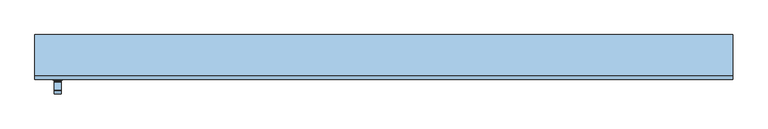
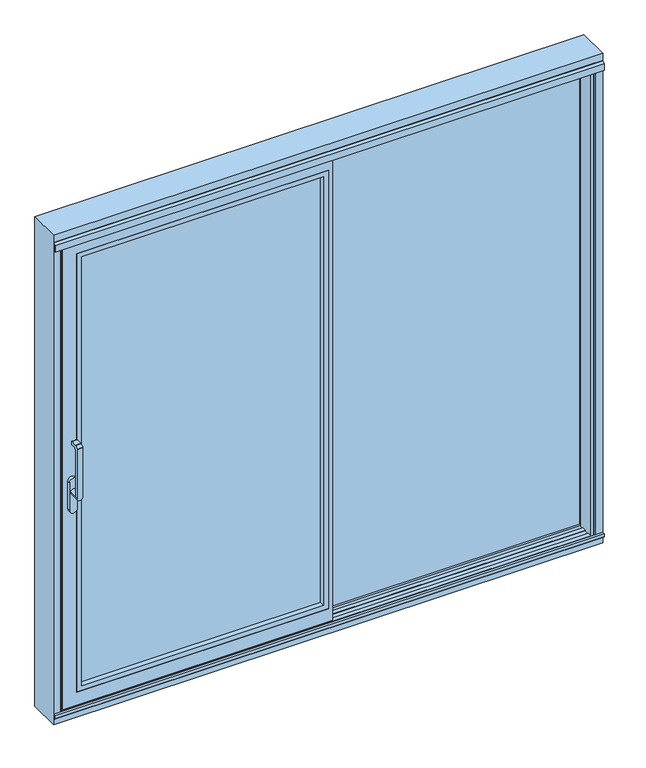
"""IFC4 building model written with IfcOpenShell, lengths in millimetres: window geometry."""

from ifc_helpers import new_model, si_unit, point, frame, frame_2d, origin, origin_with_axes, place, context, project, spatial, polyline, circle_curve, trimmed, segment, composite_curve, outline, extrude, faceted_brep, source, transform, mapped, element, save
from ifc_brep_helpers import plane_surface, cylinder_surface, revolved_surface, advanced_brep


def window_59dc71b5(model_context):
    return source(origin(), model_context, "Body", "SolidModel", [
        advanced_brep(
        [(-1123.75, -121.9999695, 999.005052), (-1099.75, -121.9999695, 999.005052), (-1099.75, -121.9999695, 1224.2360009), (-1123.75, -121.9999695, 1224.2360009), (-1123.75, -73.9999695, 999.005052), (-1099.75, -73.9999695, 999.005052), (-1123.75, -109.9999695, 999.005052), (-1099.75, -109.9999695, 999.005052), (-1099.75, -109.9999695, 1214.6494011), (-1099.75, -102.6493095, 1222.000061), (-1099.75, -81.9999695, 1222.000061), (-1099.75, -79.9999695, 1224.000061), (-1099.75, -79.9999695, 1235.000061), (-1099.75, -81.9999695, 1237.000061), (-1099.75, -109.2359094, 1237.000061), (-1099.75, -110.6501229, 1236.4142746), (-1099.75, -121.414183, 1225.6502145), (-1123.75, -121.414183, 1225.6502145), (-1123.75, -110.6501229, 1236.4142746), (-1123.75, -109.2359094, 1237.000061), (-1123.75, -81.9999695, 1237.000061), (-1123.75, -79.9999695, 1235.000061), (-1123.75, -79.9999695, 1224.000061), (-1123.75, -81.9999695, 1222.000061), (-1123.75, -102.6493095, 1222.000061), (-1123.75, -109.9999695, 1214.6494011)],
        [
            (0, 1, circle_curve(frame((-1111.75, -121.9999695, 999.005052), z_axis=(0.0, -1.0, 0.0), x_axis=(1.0000000000000009, 0.0, 0.0)), 12.0)),
            (1, 2),
            (2, 3),
            (3, 0),
            (4, 5, circle_curve(frame((-1111.75, -73.9999695, 999.005052), z_axis=(0.0, 1.0, 0.0), x_axis=(1.0000000000000009, 0.0, 0.0)), 12.0)),
            (5, 4, circle_curve(frame((-1111.75, -73.9999695, 999.005052), z_axis=(0.0, 1.0, 0.0), x_axis=(1.0000000000000009, 0.0, 0.0)), 12.0)),
            (0, 6),
            (6, 4),
            (5, 7),
            (7, 1),
            (6, 7, circle_curve(frame((-1111.75, -109.9999695, 999.005052), z_axis=(0.0, 1.0, 0.0), x_axis=(1.0000000000000009, 0.0, 0.0)), 12.0)),
            (7, 8),
            (8, 9, circle_curve(frame((-1099.75, -102.6493095, 1214.6494011), z_axis=(-1.0, 0.0, 0.0), x_axis=(0.0, 0.0, -1.0)), 7.35066)),
            (9, 10),
            (10, 11, circle_curve(frame((-1099.75, -81.9999695, 1224.000061), z_axis=(1.0, 0.0, 0.0), x_axis=(0.0, 0.0, -1.0)), 2.0)),
            (11, 12),
            (12, 13, circle_curve(frame((-1099.75, -81.9999695, 1235.000061), z_axis=(1.0, 0.0, 0.0), x_axis=(0.0, 0.0, -1.0)), 2.0)),
            (13, 14),
            (14, 15, circle_curve(frame((-1099.75, -109.2359094, 1235.000061), z_axis=(1.0, 0.0, 0.0), x_axis=(0.0, 0.0, -1.0)), 2.0)),
            (15, 16),
            (16, 2, circle_curve(frame((-1099.75, -119.9999695, 1224.2360009), z_axis=(1.0, 0.0, 0.0), x_axis=(0.0, 0.0, -1.0)), 2.0)),
            (3, 17, circle_curve(frame((-1123.75, -119.9999695, 1224.2360009), z_axis=(-1.0, 0.0, 0.0), x_axis=(0.0, 0.0, -1.0)), 2.0)),
            (17, 18),
            (18, 19, circle_curve(frame((-1123.75, -109.2359094, 1235.000061), z_axis=(-1.0, 0.0, 0.0), x_axis=(0.0, 0.0, -1.0)), 2.0)),
            (19, 20),
            (20, 21, circle_curve(frame((-1123.75, -81.9999695, 1235.000061), z_axis=(-1.0, 0.0, 0.0), x_axis=(0.0, 0.0, -1.0)), 2.0)),
            (21, 22),
            (22, 23, circle_curve(frame((-1123.75, -81.9999695, 1224.000061), z_axis=(-1.0, 0.0, 0.0), x_axis=(0.0, 0.0, -1.0)), 2.0)),
            (23, 24),
            (24, 25, circle_curve(frame((-1123.75, -102.6493095, 1214.6494011), z_axis=(1.0, 0.0, 0.0), x_axis=(0.0, 0.0, -1.0)), 7.35066)),
            (25, 6),
            (25, 8),
            (24, 9),
            (23, 10),
            (22, 11),
            (21, 12),
            (20, 13),
            (19, 14),
            (18, 15),
            (17, 16),
        ],
        [
            plane_surface(frame((-1099.75, -121.9999695, 999.005052), z_axis=(0.0, -1.0, 0.0), x_axis=(0.0, 0.0, 1.0))),
            plane_surface(frame((-1099.75, -73.9999695, 999.005052), z_axis=(0.0, 1.0, 0.0), x_axis=(0.0, 0.0, -1.0))),
            cylinder_surface(frame((-1111.75, -73.9999695, 999.005052), z_axis=(0.0, -1.0000000000000009, 0.0), x_axis=(1.0000000000000009, 0.0, 0.0)), 12.0),
            plane_surface(frame((-1099.75, -121.9999695, 1004.7503433), z_axis=(1.0, 0.0, 0.0), x_axis=(0.0, 0.0, -1.0))),
            plane_surface(frame((-1123.75, -121.9999695, 1004.7503433), z_axis=(-1.0, 0.0, 0.0), x_axis=(0.0, 0.0, 1.0))),
            plane_surface(frame((-1099.75, -109.9999695, 999.0), z_axis=(0.0, 1.0, 0.0), x_axis=(-1.0, 0.0, 0.0))),
            revolved_surface(polyline([(-1123.75, -102.6493095, 1207.2987411), (-1099.75, -102.6493095, 1207.2987411)]), (-1123.75, -102.6493095, 1214.6494011), (-1.0000000000000009, 0.0, 0.0)),
            plane_surface(frame((-1099.75, -102.6493095, 1222.000061), z_axis=(0.0, 0.0, -1.0), x_axis=(-1.0, 0.0, 0.0))),
            cylinder_surface(frame((-1123.75, -81.9999695, 1224.000061), z_axis=(1.0000000000000009, 0.0, 0.0), x_axis=(0.0, 0.0, -1.0)), 2.0),
            plane_surface(frame((-1099.75, -79.9999695, 1224.000061), z_axis=(0.0, 1.0, 0.0), x_axis=(-1.0, 0.0, 0.0))),
            cylinder_surface(frame((-1123.75, -81.9999695, 1235.000061), z_axis=(1.0000000000000009, 0.0, 0.0), x_axis=(0.0, 0.0, -1.0)), 2.0),
            plane_surface(frame((-1099.75, -81.9999695, 1237.000061), z_axis=(0.0, 0.0, 1.0), x_axis=(-1.0, 0.0, 0.0))),
            cylinder_surface(frame((-1123.75, -109.2359094, 1235.000061), z_axis=(1.0000000000000009, 0.0, 0.0), x_axis=(0.0, 0.0, -1.0)), 2.0),
            plane_surface(frame((-1099.75, -110.6501229, 1236.4142746), z_axis=(0.0, -0.7071067811865419, 0.7071067811865531), x_axis=(-1.0, 0.0, 0.0))),
            cylinder_surface(frame((-1123.75, -119.9999695, 1224.2360009), z_axis=(1.0000000000000009, 0.0, 0.0), x_axis=(0.0, 0.0, -1.0)), 2.0),
        ],
        [
            (0, [[1, 2, 3, 4]]),
            (1, [[5, 6]]),
            (2, [[-1, 7, 8, -6, 9, 10]]),
            (2, [[-5, -8, 11, -9]]),
            (3, [[-2, -10, 12, 13, 14, 15, 16, 17, 18, 19, 20, 21]]),
            (4, [[22, 23, 24, 25, 26, 27, 28, 29, 30, 31, -7, -4]]),
            (5, [[-12, -11, -31, 32]]),
            (6, [[-13, -32, -30, 33]]),
            (7, [[-14, -33, -29, 34]]),
            (8, [[-15, -34, -28, 35]]),
            (9, [[-16, -35, -27, 36]]),
            (10, [[-17, -36, -26, 37]]),
            (11, [[-18, -37, -25, 38]]),
            (12, [[-19, -38, -24, 39]]),
            (13, [[-20, -39, -23, 40]]),
            (14, [[-21, -40, -22, -3]]),
        ],
    ),
        extrude(outline(composite_curve([segment(trimmed(circle_curve(frame_2d((917.2823932, -1111.75)), 16.75), [point((917.2823932, -1128.5))], [point((917.2823932, -1095.0))], False, "CARTESIAN"), True, "CONTINUOUS"), segment(polyline([(917.2823932, -1095.0), (1044.0099288, -1095.0)]), True, "CONTINUOUS"), segment(trimmed(circle_curve(frame_2d((1044.0099288, -1111.75)), 16.75), [point((1044.0099288, -1095.0))], [point((1044.0099288, -1128.5))], False, "CARTESIAN"), True, "CONTINUOUS"), segment(polyline([(1044.0099288, -1128.5), (917.2823932, -1128.5)]), True, "CONTINUOUS")], self_intersect=False)), frame((0.0, -73.9999695, 0.0), z_axis=(0.0, 1.0, 0.0), x_axis=(0.0, 0.0, 1.0)), (0.0, 0.0, 1.0), 13.9999695),
        extrude(outline(polyline([(0.0, -2.55e-05), (0.0, 15.9999745), (20.0, 15.9999745), (20.0, -2.55e-05), (0.0, -2.55e-05)])), frame((0.0, 0.0, 4.0), z_axis=(0.0, 0.0, 1.0), x_axis=(1.0, 0.0, 0.0)), (0.0, 0.0, 1.0), 2127.0),
        faceted_brep([(-1068.0, -2.55e-05, 86.0), (-1068.0, -11.0000344, 86.0), (-20.0, -11.0000344, 86.0), (-20.0, -2.55e-05, 86.0), (2.0, -11.0000344, 64.0), (-1090.0, -11.0000344, 64.0), (-1090.0, -60.0, 64.0), (2.0, -60.0, 64.0), (-1150.0017184, -2.55e-05, 4.0), (20.0, -2.55e-05, 4.0), (20.0, -60.0, 4.0), (-1150.0, -60.0, 4.0), (-1150.0, -54.5, 4.0), (2.0, -54.5, 4.0), (2.0, -11.0000344, 4.0), (-20.0, -11.0000344, 4.0), (-20.0, -5.4999923, 4.0), (-1150.0017184, -5.4999923, 4.0), (-1120.0, -54.5, 34.0), (-1120.0, -5.4999923, 34.0), (-20.0, -5.4999923, 34.0), (-20.0, -11.0000344, 34.0), (2.0, -11.0000344, 34.0), (2.0, -54.5, 34.0), (-1068.0, -2.55e-05, 2049.0), (-1068.0, -11.0000344, 2049.0), (-1090.0, -11.0000344, 2071.0), (-1090.0, -60.0, 2071.0), (-1150.0, -60.0, 2131.0), (-1150.0, -54.5, 2131.0), (-1120.0, -54.5, 2101.0), (-1120.0, -5.4999923, 2101.0), (-1150.0017184, -5.4999923, 2131.0017184), (-1150.0017184, -2.55e-05, 2131.0017184), (-20.0, -2.55e-05, 2049.0), (-20.0, -11.0000344, 2049.0), (2.0, -11.0000344, 2071.0), (2.0, -60.0, 2071.0), (20.0, -60.0, 2131.0), (20.0, -2.55e-05, 2131.0), (-20.0, -5.4999923, 2131.0), (-20.0, -11.0000344, 2131.0), (2.0, -11.0000344, 2131.0), (2.0, -54.5, 2131.0), (2.0, -54.5, 2101.0), (2.0, -11.0000344, 2101.0), (-20.0, -11.0000344, 2101.0), (-20.0, -5.4999923, 2101.0)], [[[0, 1, 2, 3]], [[4, 5, 6, 7]], [[8, 9, 10, 11, 12, 13, 14, 15, 16, 17]], [[18, 19, 20, 21, 22, 23]], [[24, 25, 1, 0]], [[26, 27, 6, 5]], [[28, 29, 12, 11]], [[30, 31, 19, 18]], [[32, 33, 8, 17]], [[25, 24, 34, 35]], [[27, 26, 36, 37]], [[38, 39, 33, 32, 40, 41, 42, 43, 29, 28]], [[31, 30, 44, 45, 46, 47]], [[39, 38, 10, 9]], [[10, 38, 28, 11], [27, 37, 7, 6]], [[33, 39, 9, 8], [0, 3, 34, 24]], [[16, 15, 21, 20]], [[41, 40, 47, 46]], [[34, 3, 2, 35]], [[15, 14, 22, 21]], [[26, 5, 4, 36], [1, 25, 35, 2]], [[42, 41, 46, 45]], [[14, 13, 23, 22]], [[43, 42, 45, 44]], [[36, 4, 7, 37]], [[12, 29, 43, 44, 30, 18, 23, 13]], [[19, 31, 47, 40, 32, 17, 16, 20]]]),
        extrude(outline(polyline([(64.0, 2.0), (2071.0, 2.0), (2071.0, -1090.0), (64.0, -1090.0), (64.0, 2.0)]), holes=[polyline([(86.012649, -20.012649), (86.012649, -1067.987351), (2048.987351, -1067.987351), (2048.987351, -20.012649), (86.012649, -20.012649)])]), frame((0.0, -60.0, 0.0), z_axis=(0.0, 1.0, 0.0), x_axis=(0.0, 0.0, 1.0)), (0.0, 0.0, 1.0), 22.9999656),
        extrude(outline(polyline([(-1090.0, -11.0000344), (2.0, -11.0000344), (2.0, -37.0000344), (-1090.0, -37.0000344), (-1090.0, -11.0000344)])), frame((0.0, 0.0, 64.0), z_axis=(0.0, 0.0, 1.0), x_axis=(1.0, 0.0, 0.0)), (0.0, 0.0, 1.0), 2007.0),
        extrude(outline(polyline([(1139.0, 15.0), (1158.0007202, 15.0), (1158.0007202, 11.0), (1142.0, 11.0), (1142.0, -48.2882381), (1150.0, -51.2), (1150.0, -60.0), (1139.0, -60.0), (1139.0, 15.0)])), frame((0.0, 0.0, -3.0), z_axis=(0.0, 0.0, 1.0), x_axis=(1.0, 0.0, 0.0)), (0.0, 0.0, 1.0), 2158.2007202),
        extrude(outline(polyline([(1164.0, 30.9998071), (-3.9999695, 30.9998071), (-3.9999695, 56.9998071), (1164.0, 56.9998071), (1164.0, 30.9998071)])), frame((0.0, 0.0, -25.0), z_axis=(0.0, 0.0, 1.0), x_axis=(1.0, 0.0, 0.0)), (0.0, 0.0, 1.0), 2189.0),
        extrude(outline(polyline([(2164.0, -3.9999695), (-25.0, -3.9999695), (-25.0, 1164.0), (2164.0, 1164.0), (2164.0, -3.9999695)]), holes=[polyline([(2141.9998171, 1141.9998171), (-2.9998171, 1141.9998171), (-2.9998171, 18.0002134), (2141.9998171, 18.0002134), (2141.9998171, 1141.9998171)])]), frame((0.0, 56.9998071, 0.0), z_axis=(0.0, 1.0, 0.0), x_axis=(0.0, 0.0, 1.0)), (0.0, 0.0, 1.0), 23.0001929),
        extrude(outline(polyline([(-1139.0, 5.0001885), (-1158.0007202, 5.0001885), (-1158.0007202, 9.0001885), (-1142.0, 9.0001885), (-1142.0, 36.4449661), (-1153.7767036, 61.7001885), (-1164.0, 61.7001885), (-1164.0, 79.9999826), (-1158.999904, 79.9999826), (-1139.0, 37.1100501), (-1139.0, 5.0001885)])), origin_with_axes(), (0.0, 0.0, 1.0), 2120.9),
        faceted_brep([(-1190.0, 80.0, -51.0), (1190.0, 80.0, -51.0), (1190.0, -60.0, -51.0), (-1190.0, -60.0, -51.0), (-1190.0, -60.0, 2190.0), (-1190.0, 80.0, 2190.0), (1158.0007202, 20.0, -25.0), (1158.0007202, -8.7999745, -25.0), (1158.0007202, -8.7999745, 2155.2007202), (1158.0007202, 20.0, 2155.2007202), (-1142.0, 30.9998071, 2142.0), (-1142.0, 30.9998071, -3.0), (-20.0, 30.9998071, -3.0), (-20.0, 30.9998071, -25.0), (-1164.0, 30.9998071, -25.0), (-1164.0, 30.9998071, 2164.0), (-20.0, 30.9998071, 2164.0), (-20.0, 30.9998071, 2142.0), (1164.0, 30.9998071, 2164.0), (1164.0, 30.9998071, -25.0), (-3.9999695, 30.9998071, -25.0), (-3.9999695, 30.9998071, 2164.0), (1142.0, 30.9998071, -3.0), (1142.0, 30.9998071, 2142.0), (20.0, 30.9998071, 2142.0), (20.0, 30.9998071, -3.0), (1142.0, 20.0, -3.0), (1142.0, 20.0, 2142.0), (0.0, 20.0, 2155.2007202), (0.0, 20.0, -25.0), (20.0, 20.0, -3.0), (20.0, 20.0, 2142.0), (-1142.0, 20.0, -3.0), (-1142.0, 20.0, 2142.0), (-20.0, 20.0, 2142.0), (-20.0, 20.0, 2155.2007202), (-1158.0007202, 20.0, 2155.2007202), (-1158.0007202, 20.0, -25.0), (-20.0, 20.0, -25.0), (-20.0, 20.0, -3.0), (1190.0, -60.0, 2190.0), (1190.0, 80.0, 2190.0), (-1164.0, 80.0, -25.0), (-20.0, 80.0, -25.0), (-20.0, 80.0, 2164.0), (-1164.0, 80.0, 2164.0), (1164.0, 80.0, -25.0), (1164.0, 80.0, 2164.0), (-3.9999695, 80.0, 2164.0), (-3.9999695, 80.0, -25.0), (1158.0, -60.0, -19.0), (-1158.0, -60.0, -19.0), (-1158.0, -60.0, 2157.5), (1158.0, -60.0, 2157.5), (1158.0, -51.2, -19.0), (1158.0, -51.2, 2157.5), (-1158.0, -51.2, -19.0), (-1158.0, -51.2, 2157.5), (1150.0, -51.2, -11.0), (-1150.0, -51.2, -11.0), (-1150.0, -51.2, 2150.0), (1150.0, -51.2, 2150.0), (1142.0, -48.2882381, -3.0), (1142.0, -48.2882381, 2142.0), (1142.0, -48.2882381, 2130.9117619), (1146.7030271, -50.0, 2129.2), (1146.7030271, -50.0, 2122.0), (1142.0, -48.2882381, 2122.0), (-1142.0, -48.2882381, -3.0), (1142.0, -11.7119985, -3.0), (-1142.0, -11.7120235, -3.0), (-1142.0, -48.2882381, 2122.0), (-1146.7030271, -50.0, 2122.0), (-1146.7030271, -50.0, 2129.2), (-1142.0, -48.2882381, 2130.9117619), (-1142.0, -48.2882381, 2142.0), (1142.0, -44.2, 2142.0), (1142.0, -44.2, 2135.0), (1142.0, -11.7119985, 2122.0), (1142.0, -11.7119985, 2155.2007202), (1142.0, -11.7119985, 2130.9119985), (1142.0, -15.8, 2135.0), (1142.0, -15.8, 2155.2007202), (1150.0007202, -8.7999745, -11.0007902), (-1150.0007202, -8.7999745, -11.0007902), (-1142.0, -11.7119993, 2122.0), (-1142.0, -44.2, 2135.0), (-1142.0, -44.2, 2142.0), (-1142.0, -11.7119992, 2130.9119986), (-1142.0, -11.7119989, 2155.2007202), (-1142.0, -15.8, 2155.2007202), (-1142.0, -15.8, 2135.0), (1146.7036773, -10.0, 2122.0), (1146.7036773, -10.0, 2129.2), (1150.0007202, -8.7999745, 2155.2007202), (-1158.0007202, -8.7999745, -25.0), (-1158.0007202, -8.7999745, 2155.2007202), (-1150.0007202, -8.7999745, 2155.2007202), (-1146.7036773, -10.0, 2129.2), (-1146.7036773, -10.0, 2122.0), (0.0, 4.0, -25.0), (-20.0, 4.0, -25.0), (-20.0, 4.0, 2155.2007202), (0.0, 4.0, 2155.2007202)], [[[0, 1, 2, 3]], [[0, 3, 4, 5]], [[6, 7, 8, 9]], [[10, 11, 12, 13, 14, 15, 16, 17]], [[18, 19, 20, 21], [22, 23, 24, 25]], [[22, 26, 27, 23]], [[6, 9, 28, 29], [27, 26, 30, 31]], [[32, 33, 34, 35, 36, 37, 38, 39]], [[40, 41, 5, 4]], [[41, 1, 0, 5], [42, 43, 44, 45], [46, 47, 48, 49]], [[41, 40, 2, 1]], [[3, 2, 40, 4], [50, 51, 52, 53]], [[54, 50, 53, 55]], [[50, 54, 56, 51]], [[56, 54, 55, 57], [58, 59, 60, 61]], [[51, 56, 57, 52]], [[62, 58, 61, 63, 64, 65, 66, 67]], [[58, 62, 68, 59]], [[62, 69, 70, 68]], [[59, 68, 71, 72, 73, 74, 75, 60]], [[64, 63, 76, 77]], [[69, 62, 67, 78]], [[79, 80, 81, 82]], [[69, 83, 84, 70]], [[68, 70, 85, 71]], [[75, 74, 86, 87]], [[88, 89, 90, 91]], [[83, 69, 78, 92, 93, 80, 79, 94]], [[84, 83, 94, 8, 7, 95, 96, 97]], [[70, 84, 97, 89, 88, 98, 99, 85]], [[7, 6, 29, 100, 101, 38, 37, 95]], [[95, 37, 36, 96]], [[26, 22, 25, 30]], [[11, 32, 39, 12]], [[32, 11, 10, 33]], [[20, 19, 46, 49]], [[42, 14, 13, 43]], [[14, 42, 45, 15]], [[46, 19, 18, 47]], [[15, 45, 44, 16]], [[47, 18, 21, 48]], [[23, 27, 31, 24]], [[33, 10, 17, 34]], [[82, 90, 89, 97, 96, 36, 35, 102, 103, 28, 9, 8, 94, 79]], [[99, 92, 78, 67, 66, 72, 71, 85]], [[98, 93, 92, 99]], [[91, 81, 80, 93, 98, 88]], [[90, 82, 81, 91]], [[63, 75, 87, 76]], [[86, 77, 76, 87]], [[73, 65, 64, 77, 86, 74]], [[61, 60, 75, 63]], [[72, 66, 65, 73]], [[53, 52, 57, 55]], [[29, 28, 103, 100]], [[102, 101, 100, 103]], [[44, 43, 13, 12, 39, 38, 101, 102, 35, 34, 17, 16]], [[31, 30, 25, 24]], [[49, 48, 21, 20]]]),
        extrude(outline(polyline([(-73.0, -2.0), (-60.0, -2.0), (-60.0, -21.8), (-66.4, -21.8), (-73.0, -15.2), (-73.0, -2.0)])), frame((-1190.0, 0.0, 0.0), z_axis=(1.0, 0.0, 0.0), x_axis=(0.0, 1.0, 0.0)), (0.0, 0.0, 1.0), 2380.0),
        extrude(outline(polyline([(-51.2000255, 2150.5), (-68.5243789, 2150.5), (-71.0000233, 2149.0706861), (-71.0000233, 2121.5), (-72.6000233, 2121.5), (-72.6000233, 2150.225198), (-59.9996967, 2157.5), (-51.2000255, 2157.5), (-51.2000255, 2150.5)])), frame((-1190.0, 0.0, 0.0), z_axis=(1.0, 0.0, 0.0), x_axis=(0.0, 1.0, 0.0)), (0.0, 0.0, 1.0), 2380.0),
        extrude(outline(polyline([(-60.0, 0.0), (-41.9001183, 0.0), (-41.9001183, -3.0), (-48.2882381, -3.0), (-51.2, -11.0), (-51.2, -19.0), (-60.0, -19.0), (-60.0, 0.0)])), frame((-1139.0, 0.0, 0.0), z_axis=(1.0, 0.0, 0.0), x_axis=(0.0, 1.0, 0.0)), (0.0, 0.0, 1.0), 2278.0),
        extrude(outline(polyline([(-18.1001183, 0.0), (-2.55e-05, 0.0), (-2.55e-05, -25.0), (-8.7999745, -25.0), (-8.7999745, -11.0007902), (-11.712024, -3.0), (-18.1001183, -3.0), (-18.1001183, 0.0)])), frame((-1139.0, 0.0, 0.0), z_axis=(1.0, 0.0, 0.0), x_axis=(0.0, 1.0, 0.0)), (0.0, 0.0, 1.0), 2278.0),
        extrude(outline(polyline([(4.0, 0.0), (80.0, 0.0), (80.0, -25.0), (60.5987802, -25.0), (60.5987802, -3.0), (12.8, -3.0), (12.8, -11.0), (4.0, -11.0), (4.0, 0.0)])), frame((-1164.0, 0.0, 0.0), z_axis=(1.0, 0.0, 0.0), x_axis=(0.0, 1.0, 0.0)), (0.0, 0.0, 1.0), 1144.0),
        extrude(outline(polyline([(80.0, 2120.9), (4.0, 2120.9), (4.0, 2131.0), (20.0, 2131.0), (20.0, 2142.0), (30.9998071, 2142.0), (30.9998071, 2131.0), (60.6, 2131.0), (60.6, 2164.0), (80.0, 2164.0), (80.0, 2120.9)])), frame((-1164.0, 0.0, 0.0), z_axis=(1.0, 0.0, 0.0), x_axis=(0.0, 1.0, 0.0)), (0.0, 0.0, 1.0), 1144.0),
    ])


if __name__ == "__main__":
    model = new_model("IFC4")
    model_context = context("Model", 3, world=origin())
    ifc_project = project(units=[si_unit("LENGTHUNIT", "METRE", prefix="MILLI")], contexts=[model_context])
    site = spatial("IfcSite", under=ifc_project)
    building = spatial("IfcBuilding", under=site)
    placement = place(None, origin())
    window_shape = window_59dc71b5(model_context)
    element("IfcWindow", 1, at=placement, inside=building, context=model_context, shape_type="MappedRepresentation", body=[
        mapped(window_shape, transform((0.0, 0.0, 0.0), x_axis=(1.0, 0.0, 0.0), y_axis=(0.0, 1.0, 0.0), z_axis=(0.0, 0.0, 1.0))),
    ])
    save(model, "model.ifc")
